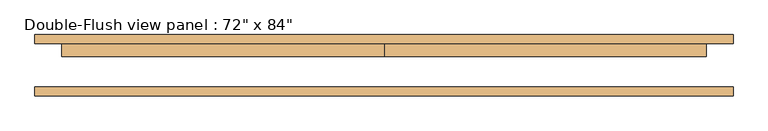
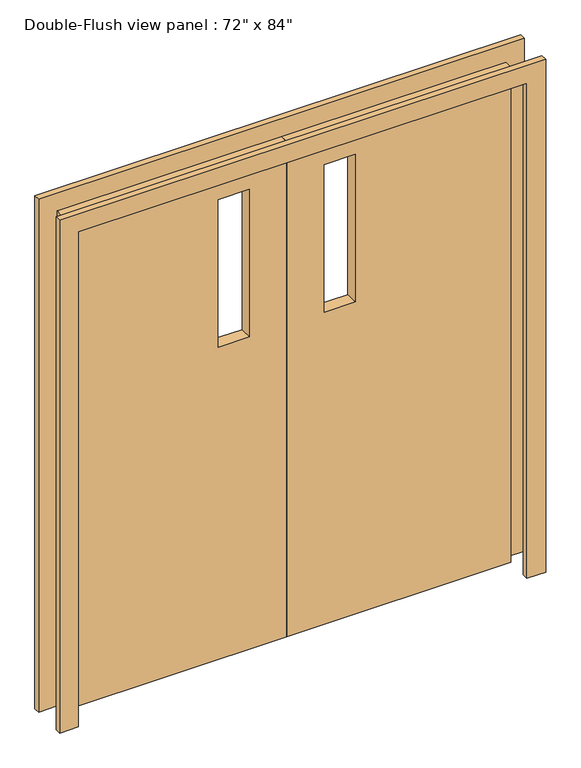
"""IFC4 building model written with IfcOpenShell, lengths in millimetres: door geometry."""

import ifcopenshell
import ifcopenshell.guid

model = None  # the IFC model being written
_history = None  # IfcOwnerHistory: only IFC2X3 demands one
_inside = {}  # id of a spatial element -> (the spatial element, [elements in it])
_under = {}  # id of a project, library or spatial element -> (it, [spatial elements below it])
_declared = {}  # id of a project -> (the project, [libraries it declares])
_typed = {}  # id of a type object -> (the type object, [elements of that type])
_made_of = {}  # id of a material, layer set ... -> (it, [elements and type objects made of it])


def new_model(schema):
    """Start an empty IFC model of exactly this schema.

    Asked for "IFC4X3", IfcOpenShell would pick the latest addendum, in which some entities
    have other attributes; the version numbers below select the first issue.
    IFC2X3 requires an IfcOwnerHistory on every rooted entity: one is made here for all.
    """
    global model, _history
    if schema == "IFC4X3":
        model = ifcopenshell.file(schema_version=(4, 3, 0, 0))
    else:
        model = ifcopenshell.file(schema=schema)
    _inside.clear()
    _under.clear()
    _declared.clear()
    _typed.clear()
    _made_of.clear()
    _history = None
    if model.schema == "IFC2X3":
        org = make("IfcOrganization", Name="unknown")
        user = make(
            "IfcPersonAndOrganization",
            ThePerson=make("IfcPerson", FamilyName="unknown"),
            TheOrganization=org,
        )
        app = make(
            "IfcApplication",
            ApplicationDeveloper=org,
            Version="unknown",
            ApplicationFullName="unknown",
            ApplicationIdentifier="unknown",
        )
        _history = make(
            "IfcOwnerHistory",
            OwningUser=user,
            OwningApplication=app,
            ChangeAction="ADDED",
            CreationDate=0,
        )
    return model


def make(cls, **values):
    """One entity of the class cls with the attributes given. An attribute that is None is left unset."""
    return model.create_entity(
        cls, **{name: value for name, value in values.items() if value is not None}
    )


def rooted(cls, **values):
    """An entity with a GlobalId (a new one), such as an element, a storey or a relation."""
    return make(cls, GlobalId=ifcopenshell.guid.new(), OwnerHistory=_history, **values)


def si_unit(unit_type, name, prefix=None):
    """IfcSIUnit, for example si_unit("LENGTHUNIT", "METRE", prefix="MILLI")."""
    return make("IfcSIUnit", UnitType=unit_type, Prefix=prefix, Name=name)


def assignment(units):
    """IfcUnitAssignment: the units of a project."""
    return None if units is None else make("IfcUnitAssignment", Units=units)


def point(xyz):
    """IfcCartesianPoint."""
    return None if xyz is None else make("IfcCartesianPoint", Coordinates=xyz)


def direction(xyz):
    """IfcDirection."""
    return None if xyz is None else make("IfcDirection", DirectionRatios=xyz)


def frame(location, z_axis=None, x_axis=None):
    """IfcAxis2Placement3D, a coordinate frame: its origin and axes. An axis left out is left unset."""
    return make(
        "IfcAxis2Placement3D",
        Location=point(location),
        Axis=direction(z_axis),
        RefDirection=direction(x_axis),
    )


def origin():
    """The frame at (0, 0, 0) with its axes left unset."""
    return frame((0.0, 0.0, 0.0))


def place(relative_to, where):
    """IfcLocalPlacement: puts the frame where relative to a parent placement (None: the world)."""
    return make(
        "IfcLocalPlacement", PlacementRelTo=relative_to, RelativePlacement=where
    )


def context(
    kind, dimensions, precision=None, world=None, true_north=None, identifier=None
):
    """IfcGeometricRepresentationContext, for example the 3D "Model" context."""
    return make(
        "IfcGeometricRepresentationContext",
        ContextIdentifier=identifier,
        ContextType=kind,
        CoordinateSpaceDimension=dimensions,
        Precision=precision,
        WorldCoordinateSystem=world,
        TrueNorth=true_north,
    )


def project(units=None, contexts=None):
    """IfcProject with its units and contexts."""
    return rooted(
        "IfcProject",
        Name="project",
        RepresentationContexts=contexts,
        UnitsInContext=assignment(units),
    )


def spatial(cls, under=None, at=None, **own):
    """A site, building, storey or space (cls), placed at a placement, below another one or the project."""
    s = rooted(cls, ObjectPlacement=at, **own)
    if under is not None:
        _under.setdefault(under.id(), (under, []))[1].append(s)
    return s


def polyline(points):
    """IfcPolyline through the points."""
    return make("IfcPolyline", Points=[point(p) for p in points])


def outline(outer, holes=None, kind="AREA"):
    """IfcArbitraryClosedProfileDef: a profile drawn as a closed curve; with holes, ...WithVoids."""
    if holes is None:
        return make("IfcArbitraryClosedProfileDef", ProfileType=kind, OuterCurve=outer)
    return make(
        "IfcArbitraryProfileDefWithVoids",
        ProfileType=kind,
        OuterCurve=outer,
        InnerCurves=holes,
    )


def extrude(swept, where, along, depth):
    """IfcExtrudedAreaSolid: the profile swept, set in the frame where, extruded along a direction by depth."""
    return make(
        "IfcExtrudedAreaSolid",
        SweptArea=swept,
        Position=where,
        ExtrudedDirection=direction(along),
        Depth=depth,
    )


def shape(context_of_items, identifier, shape_type, items):
    """IfcShapeRepresentation: the items that make up one representation, for example the "Body"."""
    return make(
        "IfcShapeRepresentation",
        ContextOfItems=context_of_items,
        RepresentationIdentifier=identifier,
        RepresentationType=shape_type,
        Items=items,
    )


def source(mapping_origin, context_of_items, identifier, shape_type, items):
    """IfcRepresentationMap: a shape defined once, which mapped items show again and again."""
    return make(
        "IfcRepresentationMap",
        MappingOrigin=mapping_origin,
        MappedRepresentation=shape(context_of_items, identifier, shape_type, items),
    )


def transform(
    local_origin,
    x_axis=None,
    y_axis=None,
    z_axis=None,
    scale=None,
    scale2=None,
    scale3=None,
    uniform=True,
):
    """IfcCartesianTransformationOperator3D, or its non-uniform kind. x_axis, y_axis, z_axis: its Axis1, 2, 3."""
    if uniform:
        return make(
            "IfcCartesianTransformationOperator3D",
            Axis1=direction(x_axis),
            Axis2=direction(y_axis),
            LocalOrigin=point(local_origin),
            Scale=scale,
            Axis3=direction(z_axis),
        )
    return make(
        "IfcCartesianTransformationOperator3DnonUniform",
        Axis1=direction(x_axis),
        Axis2=direction(y_axis),
        LocalOrigin=point(local_origin),
        Scale=scale,
        Axis3=direction(z_axis),
        Scale2=scale2,
        Scale3=scale3,
    )


def mapped(mapping_source, mapping_target):
    """IfcMappedItem: shows the shape of a source again, moved by a transform."""
    return make(
        "IfcMappedItem", MappingSource=mapping_source, MappingTarget=mapping_target
    )


def made_of(thing, what):
    """Note that an element or type object is made of a material, layer set ...; save() writes the relation."""
    if what is not None:
        _made_of.setdefault(what.id(), (what, []))[1].append(thing)
    return thing


def element(
    cls,
    number,
    at=None,
    inside=None,
    cuts=None,
    type_object=None,
    material=None,
    context=None,
    identifier="Body",
    shape_type=None,
    held_by="IfcProductDefinitionShape",
    body=None,
    shapes=None,
    **own,
):
    """One element of the class cls, such as IfcWall. Its Tag is "e" and its number.

    at: its placement. inside: the storey or other place that contains it. cuts: it is an
    opening in that element (IfcRelVoidsElement). A single representation is given by context,
    identifier, shape_type and body (its items); several are given by shapes. held_by: the class
    of the entity that holds the representations. save() writes the other relations.
    """
    e = rooted(cls, Tag="e%d" % number, ObjectPlacement=at, **own)
    if body is not None:
        shapes = [shape(context, identifier, shape_type, body)]
    if shapes is not None:
        e.Representation = make(held_by, Representations=shapes)
    if inside is not None:
        _inside.setdefault(inside.id(), (inside, []))[1].append(e)
    if cuts is not None:
        rooted(
            "IfcRelVoidsElement", RelatingBuildingElement=cuts, RelatedOpeningElement=e
        )
    if type_object is not None:
        _typed.setdefault(type_object.id(), (type_object, []))[1].append(e)
    return made_of(e, material)


def aggregate(whole, parts):
    """IfcRelAggregates: a whole, such as a stair, and the parts it consists of."""
    return rooted("IfcRelAggregates", RelatingObject=whole, RelatedObjects=parts)


def save(model, path):
    """Write the relations noted so far, then the file.

    IfcRelAggregates (storeys below a building ...), IfcRelContainedInSpatialStructure (elements
    in a storey), IfcRelDefinesByType, IfcRelAssociatesMaterial and IfcRelDeclares: one each for
    every whole, place, type object, material and project.
    """
    for whole, parts in _under.values():
        aggregate(whole, parts)
    for where, things in _inside.values():
        rooted(
            "IfcRelContainedInSpatialStructure",
            RelatedElements=things,
            RelatingStructure=where,
        )
    for kind, things in _typed.values():
        rooted("IfcRelDefinesByType", RelatedObjects=things, RelatingType=kind)
    for what, things in _made_of.values():
        rooted("IfcRelAssociatesMaterial", RelatedObjects=things, RelatingMaterial=what)
    for by, libraries in _declared.values():
        rooted("IfcRelDeclares", RelatingContext=by, RelatedDefinitions=libraries)
    model.write(path)


def door_5f5913cc(model_context):
    return source(origin(), model_context, "Body", "SweptSolid", [
        extrude(outline(polyline([(2133.6, 0.0), (2133.6, -914.4), (0.0, -914.4), (0.0, 0.0), (2133.6, 0.0)]), holes=[polyline([(1981.2, -279.4), (1981.2, -152.4), (1346.2, -152.4), (1346.2, -279.4), (1981.2, -279.4)])]), frame((0.0, 25.4, 0.0), z_axis=(0.0, 1.0, 0.0), x_axis=(0.0, 0.0, 1.0)), (0.0, 0.0, 1.0), 50.8),
        extrude(outline(polyline([(2133.6, 0.0), (0.0, 0.0), (0.0, 914.4), (2133.6, 914.4), (2133.6, 0.0)]), holes=[polyline([(1981.2, 279.4), (1346.2, 279.4), (1346.2, 152.4), (1981.2, 152.4), (1981.2, 279.4)])]), frame((0.0, 25.4, 0.0), z_axis=(0.0, 1.0, 0.0), x_axis=(0.0, 0.0, 1.0)), (0.0, 0.0, 1.0), 50.8),
        extrude(outline(polyline([(2133.6, -914.4), (2133.6, 914.4), (0.0, 914.4), (0.0, 990.6), (2209.8, 990.6), (2209.8, -990.6), (0.0, -990.6), (0.0, -914.4), (2133.6, -914.4)])), frame((0.0, -87.3125, 0.0), z_axis=(0.0, 1.0, 0.0), x_axis=(0.0, 0.0, 1.0)), (0.0, 0.0, 1.0), 25.4),
        extrude(outline(polyline([(2133.6, -914.4), (2133.6, 914.4), (0.0, 914.4), (0.0, 990.6), (2209.8, 990.6), (2209.8, -990.6), (0.0, -990.6), (0.0, -914.4), (2133.6, -914.4)])), frame((0.0, 61.9125, 0.0), z_axis=(0.0, 1.0, 0.0), x_axis=(0.0, 0.0, 1.0)), (0.0, 0.0, 1.0), 25.4),
    ])


if __name__ == "__main__":
    model = new_model("IFC4")
    model_context = context("Model", 3, world=origin())
    ifc_project = project(units=[si_unit("LENGTHUNIT", "METRE", prefix="MILLI")], contexts=[model_context])
    site = spatial("IfcSite", under=ifc_project)
    building = spatial("IfcBuilding", under=site)
    placement = place(None, origin())
    door_shape = door_5f5913cc(model_context)
    element("IfcDoor", 1, ObjectType="Double-Flush view panel : 72\" x 84\"", at=placement, inside=building, context=model_context, shape_type="MappedRepresentation", body=[
        mapped(door_shape, transform((0.0, 0.0, 0.0), x_axis=(1.0, 0.0, 0.0), y_axis=(0.0, 1.0, 0.0), z_axis=(0.0, 0.0, 1.0))),
    ])
    save(model, "model.ifc")
